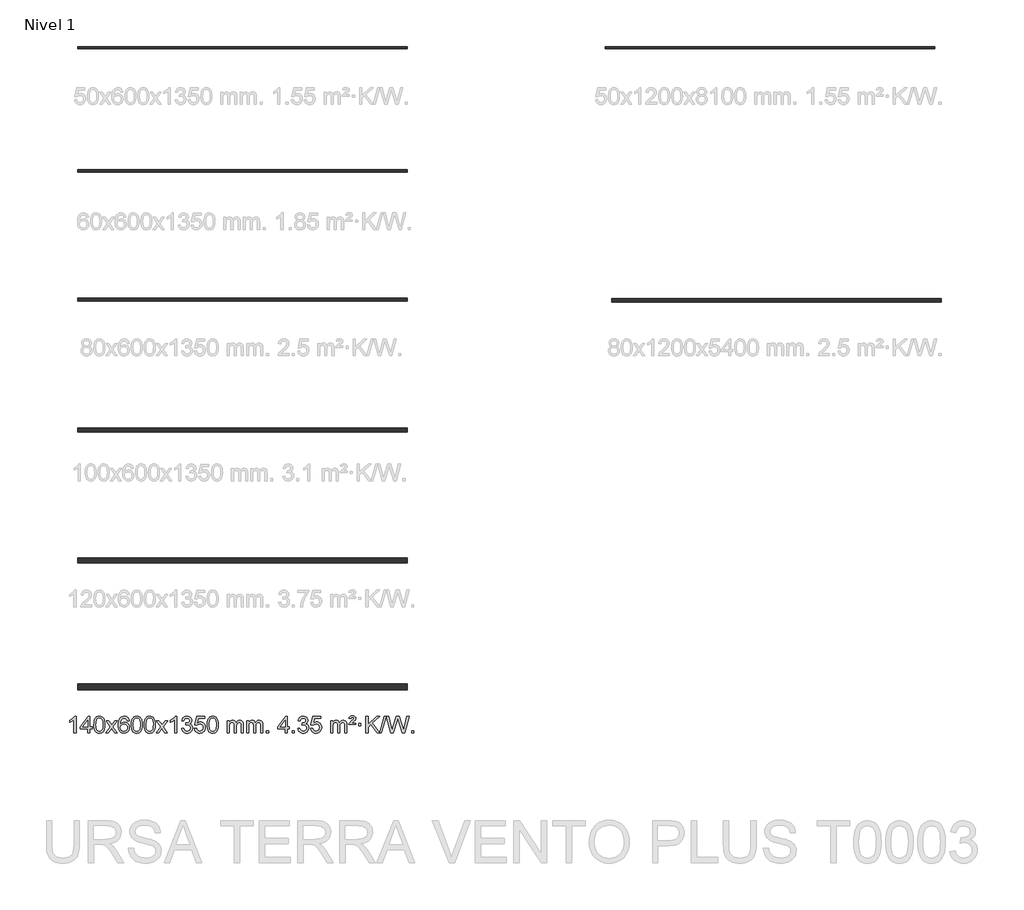
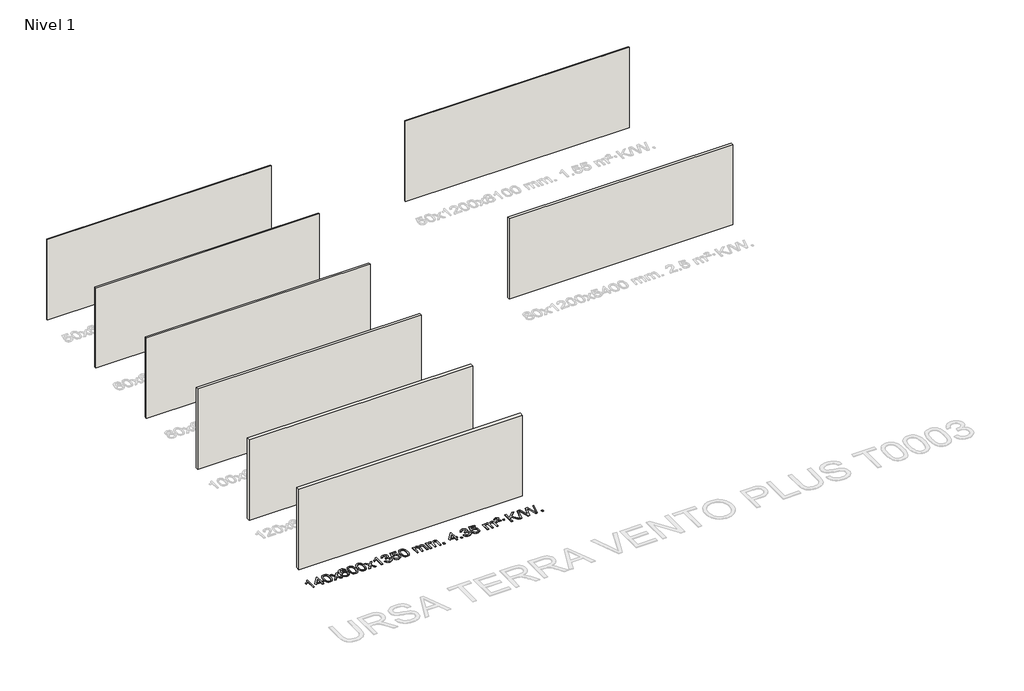
# One storey, part 1 of 9: 8 walls, 1 proxy.
"""IFC4 building model written with IfcOpenShell, lengths in millimetres."""

from ifc_helpers import new_model, si_unit, origin, origin_with_axes, place, context, project, spatial, polyline, outline, extrude, element, save

model = new_model("IFC4")

# Units and contexts
model_context = context("Model", 3, world=origin())
ifc_project = project(units=[si_unit("LENGTHUNIT", "METRE", prefix="MILLI")], contexts=[model_context])

# Site, building, storey
site = spatial("IfcSite", under=ifc_project)
building = spatial("IfcBuilding", under=site)
storey = spatial("IfcBuildingStorey", under=building, Name="Nivel 1", Elevation=0.0)

# Proxy
placement = place(None, origin())
element("IfcBuildingElementProxy", 1, Name="Texto de modelo 1", ObjectType="Texto de modelo 1", at=placement, inside=storey, context=model_context, shape_type="SweptSolid", body=[
    extrude(outline(polyline([(-13075.4615788, -12466.579453), (-13125.6897338, -12466.579453), (-13125.6897338, -12153.4382987), (-13146.6590076, -12170.3976587), (-13173.2691385, -12187.3324932), (-13226.146044, -12212.6918254), (-13226.146044, -12165.2105225), (-13186.6968314, -12143.7507395), (-13152.520594, -12118.219729), (-13125.5793692, -12091.0700378), (-13107.8351943, -12064.7542124), (-13075.4615788, -12064.7542124), (-13075.4615788, -12466.579453)])), origin_with_axes(), (0.0, 0.0, 1.0), 10.0),
    extrude(outline(polyline([(-12792.9282065, -12466.579453), (-12792.9282065, -12372.4016622), (-12975.0052686, -12372.4016622), (-12975.0052686, -12322.1735072), (-12780.3711677, -12071.0327318), (-12742.7000514, -12071.0327318), (-12742.7000514, -12322.1735072), (-12692.4718963, -12322.1735072), (-12692.4718963, -12372.4016622), (-12742.7000514, -12372.4016622), (-12742.7000514, -12466.579453), (-12792.9282065, -12466.579453)]), holes=[polyline([(-12792.9282065, -12322.1735072), (-12792.9282065, -12166.9763561), (-12913.2010934, -12322.1735072), (-12792.9282065, -12322.1735072)])]), origin_with_axes(), (0.0, 0.0, 1.0), 10.0),
    extrude(outline(polyline([(-12648.5222606, -12268.9041943), (-12644.8311779, -12204.5861588), (-12633.7579299, -12153.2911459), (-12615.4128811, -12114.2343407), (-12603.5548181, -12099.0009605), (-12589.9063961, -12086.6309284), (-12574.4216298, -12077.0598651), (-12557.0545339, -12070.2233914), (-12516.6733536, -12064.7542124), (-12485.722215, -12067.991574), (-12458.0084381, -12077.7036586), (-12434.8318724, -12093.5103217), (-12417.4923677, -12115.0314184), (-12404.3957686, -12142.0830078), (-12393.94792, -12174.4811488), (-12387.1053149, -12215.6226186), (-12384.8244465, -12268.9041943), (-12388.478741, -12332.8543477), (-12399.4416244, -12384.0267333), (-12417.6763087, -12423.1203266), (-12429.5067805, -12438.3996922), (-12443.1460055, -12450.8341036), (-12458.6491659, -12460.4695462), (-12476.071444, -12467.3520052), (-12516.6733536, -12472.8579724), (-12544.3380796, -12470.4667394), (-12568.8635459, -12463.2930405), (-12590.2497526, -12451.3368757), (-12608.4966996, -12434.5982449), (-12626.0078825, -12404.3399508), (-12638.5158704, -12366.6381776), (-12646.0206631, -12321.4929255), (-12648.5222606, -12268.9041943)]), holes=[polyline([(-12598.2941056, -12268.8060924), (-12596.8225776, -12312.4706195), (-12592.4079936, -12347.8148822), (-12585.0503537, -12374.8388804), (-12574.7496579, -12393.5426142), (-12562.290721, -12406.2682656), (-12548.4583579, -12415.3580165), (-12533.2525688, -12420.8118671), (-12516.6733536, -12422.6298173), (-12500.0941383, -12420.8057357), (-12484.8883492, -12415.3334911), (-12471.0559862, -12406.2130833), (-12458.5970493, -12393.4445124), (-12448.2963534, -12374.7101217), (-12440.9387135, -12347.6922549), (-12436.5241295, -12312.3909118), (-12435.0526016, -12268.8060924), (-12436.4750786, -12226.2973278), (-12440.7425098, -12191.5753989), (-12447.854895, -12164.6403055), (-12457.8122343, -12145.4920476), (-12470.0627048, -12132.1440625), (-12484.0544833, -12122.6097875), (-12499.78757, -12116.8892225), (-12517.2619648, -12114.9823675), (-12533.7553409, -12116.6623619), (-12548.7036126, -12121.7023452), (-12562.10678, -12130.1023175), (-12573.9648429, -12141.8622786), (-12584.6088953, -12162.708925), (-12592.2117899, -12190.8151094), (-12596.7735266, -12226.1808319), (-12598.2941056, -12268.8060924)])]), origin_with_axes(), (0.0, 0.0, 1.0), 10.0),
    extrude(outline(polyline([(-12359.7103689, -12466.579453), (-12252.3869282, -12318.2494325), (-12353.4318496, -12171.4890419), (-12293.0011005, -12171.4890419), (-12244.2444734, -12242.122385), (-12221.4848406, -12275.4770192), (-12201.7663657, -12248.2047007), (-12146.2407099, -12171.4890419), (-12085.8099608, -12171.4890419), (-12191.9561791, -12318.2494325), (-12089.7340354, -12466.579453), (-12150.1647845, -12466.579453), (-12211.6746541, -12377.4048574), (-12222.9563686, -12361.1199477), (-12299.2796199, -12466.579453), (-12359.7103689, -12466.579453)])), origin_with_axes(), (0.0, 0.0, 1.0), 10.0),
    extrude(outline(polyline([(-11800.9221437, -12171.4890419), (-11851.1502988, -12177.7675613), (-11859.2437027, -12152.874213), (-11870.1820607, -12135.8780648), (-11892.9662189, -12120.2062918), (-11920.5083176, -12114.9823675), (-11943.8565616, -12118.0235253), (-11965.8313794, -12127.1469988), (-11984.7037258, -12146.3627017), (-12000.1179814, -12172.8134171), (-12010.5290419, -12210.227016), (-12014.3918028, -12262.3313693), (-11994.2441322, -12238.8237098), (-11970.0988106, -12222.2567573), (-11943.3047386, -12212.434308), (-11915.2108169, -12209.1601582), (-11891.077758, -12211.398107), (-11868.8086346, -12218.1119534), (-11848.4034466, -12229.3016975), (-11829.862194, -12244.9673391), (-11814.4540698, -12264.1769106), (-11803.4482668, -12285.9984443), (-11796.844785, -12310.4319401), (-11794.6436244, -12337.4773982), (-11798.7884282, -12373.4439945), (-11811.2228396, -12406.786366), (-11830.9167891, -12435.0642287), (-11856.840207, -12455.8372987), (-11887.815871, -12468.602804), (-11922.6665587, -12472.8579724), (-11952.6090874, -12470.0375437), (-11979.6514797, -12461.5762579), (-12003.7937357, -12447.4741147), (-12025.0358552, -12427.7311143), (-12042.3539001, -12401.5133908), (-12054.7239322, -12367.9870783), (-12062.1459515, -12327.1521768), (-12064.6199579, -12279.0086864), (-12061.8731057, -12225.0342663), (-12053.632549, -12178.9693092), (-12039.8982878, -12140.8138149), (-12020.6703222, -12110.5677835), (-11999.8298072, -12090.5243462), (-11975.6660915, -12076.2076052), (-11948.179175, -12067.6175606), (-11917.3690579, -12064.7542124), (-11894.2354118, -12066.5261773), (-11873.2967949, -12071.8420722), (-11854.5532073, -12080.7018969), (-11838.0046489, -12093.1056515), (-11824.0987094, -12108.6364031), (-11813.2829788, -12126.8772186), (-11805.5574569, -12147.8280983), (-11800.9221437, -12171.4890419)]), holes=[polyline([(-12014.3918028, -12336.6925832), (-12011.485535, -12358.9494439), (-12002.7667318, -12380.2007605), (-11989.2286743, -12398.472233), (-11971.8646442, -12411.7895612), (-11950.9076332, -12419.9197533), (-11926.5906333, -12422.6298173), (-11893.4444655, -12417.0134855), (-11879.5293291, -12409.9930708), (-11867.3861575, -12400.1644901), (-11857.5361171, -12387.9262824), (-11850.500374, -12373.6769865), (-11844.8717794, -12339.1451299), (-11850.4267976, -12305.9989621), (-11857.3705702, -12292.3781312), (-11867.0918519, -12280.725469), (-11879.2718117, -12271.3904634), (-11893.5916183, -12264.7226022), (-11928.6507725, -12259.3883133), (-11961.7478893, -12264.7226022), (-11989.4248781, -12280.725469), (-12000.3479076, -12292.2248471), (-12008.1500716, -12305.3858254), (-12012.83137, -12320.2084042), (-12014.3918028, -12336.6925832)])]), origin_with_axes(), (0.0, 0.0, 1.0), 10.0),
    extrude(outline(polyline([(-11750.6939887, -12268.9041943), (-11747.002906, -12204.5861588), (-11735.9296579, -12153.2911459), (-11717.5846091, -12114.2343407), (-11705.7265461, -12099.0009605), (-11692.0781241, -12086.6309284), (-11676.5933578, -12077.0598651), (-11659.2262619, -12070.2233914), (-11618.8450816, -12064.7542124), (-11587.8939431, -12067.991574), (-11560.1801661, -12077.7036586), (-11537.0036004, -12093.5103217), (-11519.6640957, -12115.0314184), (-11506.5674967, -12142.0830078), (-11496.119648, -12174.4811488), (-11489.2770429, -12215.6226186), (-11486.9961745, -12268.9041943), (-11490.650469, -12332.8543477), (-11501.6133525, -12384.0267333), (-11519.8480367, -12423.1203266), (-11531.6785085, -12438.3996922), (-11545.3177335, -12450.8341036), (-11560.8208939, -12460.4695462), (-11578.2431721, -12467.3520052), (-11618.8450816, -12472.8579724), (-11646.5098076, -12470.4667394), (-11671.035274, -12463.2930405), (-11692.4214806, -12451.3368757), (-11710.6684276, -12434.5982449), (-11728.1796106, -12404.3399508), (-11740.6875984, -12366.6381776), (-11748.1923911, -12321.4929255), (-11750.6939887, -12268.9041943)]), holes=[polyline([(-11700.4658336, -12268.8060924), (-11698.9943056, -12312.4706195), (-11694.5797217, -12347.8148822), (-11687.2220818, -12374.8388804), (-11676.9213859, -12393.5426142), (-11664.462449, -12406.2682656), (-11650.630086, -12415.3580165), (-11635.4242968, -12420.8118671), (-11618.8450816, -12422.6298173), (-11602.2658663, -12420.8057357), (-11587.0600772, -12415.3334911), (-11573.2277142, -12406.2130833), (-11560.7687773, -12393.4445124), (-11550.4680814, -12374.7101217), (-11543.1104415, -12347.6922549), (-11538.6958576, -12312.3909118), (-11537.2243296, -12268.8060924), (-11538.6468066, -12226.2973278), (-11542.9142378, -12191.5753989), (-11550.026623, -12164.6403055), (-11559.9839624, -12145.4920476), (-11572.2344328, -12132.1440625), (-11586.2262114, -12122.6097875), (-11601.959298, -12116.8892225), (-11619.4336928, -12114.9823675), (-11635.9270689, -12116.6623619), (-11650.8753406, -12121.7023452), (-11664.278508, -12130.1023175), (-11676.136571, -12141.8622786), (-11686.7806234, -12162.708925), (-11694.3835179, -12190.8151094), (-11698.9452547, -12226.1808319), (-11700.4658336, -12268.8060924)])]), origin_with_axes(), (0.0, 0.0, 1.0), 10.0),
    extrude(outline(polyline([(-11443.0465388, -12268.9041943), (-11439.3554561, -12204.5861588), (-11428.2822081, -12153.2911459), (-11409.9371593, -12114.2343407), (-11398.0790963, -12099.0009605), (-11384.4306743, -12086.6309284), (-11368.945908, -12077.0598651), (-11351.5788121, -12070.2233914), (-11311.1976318, -12064.7542124), (-11280.2464932, -12067.991574), (-11252.5327163, -12077.7036586), (-11229.3561506, -12093.5103217), (-11212.0166459, -12115.0314184), (-11198.9200468, -12142.0830078), (-11188.4721982, -12174.4811488), (-11181.6295931, -12215.6226186), (-11179.3487247, -12268.9041943), (-11183.0030192, -12332.8543477), (-11193.9659026, -12384.0267333), (-11212.2005869, -12423.1203266), (-11224.0310587, -12438.3996922), (-11237.6702837, -12450.8341036), (-11253.1734441, -12460.4695462), (-11270.5957222, -12467.3520052), (-11311.1976318, -12472.8579724), (-11338.8623578, -12470.4667394), (-11363.3878241, -12463.2930405), (-11384.7740308, -12451.3368757), (-11403.0209778, -12434.5982449), (-11420.5321607, -12404.3399508), (-11433.0401486, -12366.6381776), (-11440.5449413, -12321.4929255), (-11443.0465388, -12268.9041943)]), holes=[polyline([(-11392.8183838, -12268.8060924), (-11391.3468558, -12312.4706195), (-11386.9322718, -12347.8148822), (-11379.5746319, -12374.8388804), (-11369.2739361, -12393.5426142), (-11356.8149992, -12406.2682656), (-11342.9826361, -12415.3580165), (-11327.776847, -12420.8118671), (-11311.1976318, -12422.6298173), (-11294.6184165, -12420.8057357), (-11279.4126274, -12415.3334911), (-11265.5802644, -12406.2130833), (-11253.1213275, -12393.4445124), (-11242.8206316, -12374.7101217), (-11235.4629917, -12347.6922549), (-11231.0484077, -12312.3909118), (-11229.5768798, -12268.8060924), (-11230.9993568, -12226.2973278), (-11235.266788, -12191.5753989), (-11242.3791732, -12164.6403055), (-11252.3365125, -12145.4920476), (-11264.586983, -12132.1440625), (-11278.5787615, -12122.6097875), (-11294.3118482, -12116.8892225), (-11311.786243, -12114.9823675), (-11328.2796191, -12116.6623619), (-11343.2278908, -12121.7023452), (-11356.6310582, -12130.1023175), (-11368.4891211, -12141.8622786), (-11379.1331735, -12162.708925), (-11386.7360681, -12190.8151094), (-11391.2978048, -12226.1808319), (-11392.8183838, -12268.8060924)])]), origin_with_axes(), (0.0, 0.0, 1.0), 10.0),
    extrude(outline(polyline([(-11154.2346472, -12466.579453), (-11046.9112064, -12318.2494325), (-11147.9561278, -12171.4890419), (-11087.5253787, -12171.4890419), (-11038.7687516, -12242.122385), (-11016.0091188, -12275.4770192), (-10996.2906439, -12248.2047007), (-10940.7649881, -12171.4890419), (-10880.334239, -12171.4890419), (-10986.4804574, -12318.2494325), (-10884.2583136, -12466.579453), (-10944.6890627, -12466.579453), (-11006.1989323, -12377.4048574), (-11017.4806468, -12361.1199477), (-11093.8038981, -12466.579453), (-11154.2346472, -12466.579453)])), origin_with_axes(), (0.0, 0.0, 1.0), 10.0),
    extrude(outline(polyline([(-10664.5101352, -12466.579453), (-10714.7382902, -12466.579453), (-10714.7382902, -12153.4382987), (-10735.707564, -12170.3976587), (-10762.317695, -12187.3324932), (-10815.1946004, -12212.6918254), (-10815.1946004, -12165.2105225), (-10775.7453878, -12143.7507395), (-10741.5691504, -12118.219729), (-10714.6279257, -12091.0700378), (-10696.8837508, -12064.7542124), (-10664.5101352, -12064.7542124), (-10664.5101352, -12466.579453)])), origin_with_axes(), (0.0, 0.0, 1.0), 10.0),
    extrude(outline(polyline([(-10545.2182669, -12359.8446235), (-10494.9901118, -12353.5661041), (-10483.7451855, -12385.1303793), (-10467.2763348, -12406.4430095), (-10444.7742195, -12418.5831154), (-10415.429499, -12422.6298173), (-10380.9957442, -12417.0625364), (-10366.7219228, -12410.1034354), (-10354.4101387, -12400.3606939), (-10337.4139905, -12375.4428201), (-10331.7486078, -12345.2274455), (-10337.3649396, -12316.5449126), (-10354.213935, -12293.2825078), (-10379.72042, -12277.8682522), (-10411.3092206, -12272.730167), (-10446.5277903, -12278.2238715), (-10440.935984, -12227.9957164), (-10432.891631, -12228.5843276), (-10402.7988838, -12224.979084), (-10375.8944472, -12214.1633534), (-10364.8211992, -12205.9841103), (-10356.9117363, -12195.8673555), (-10352.1660585, -12183.8130888), (-10350.584166, -12169.8213102), (-10355.1704282, -12148.1285352), (-10368.9292148, -12130.5315131), (-10389.923014, -12118.8696539), (-10416.2143139, -12114.9823675), (-10442.5546648, -12118.9064421), (-10464.0880242, -12130.6786659), (-10479.8088481, -12150.299039), (-10488.7115924, -12177.7675613), (-10538.9397475, -12171.4890419), (-10532.9861905, -12147.5092672), (-10524.1508913, -12126.3867093), (-10512.4338497, -12108.1213683), (-10497.8350659, -12092.713244), (-10480.8143922, -12080.4811677), (-10461.8316813, -12071.7439703), (-10440.886933, -12066.5016519), (-10417.9801475, -12064.7542124), (-10386.4036096, -12068.2000404), (-10357.4022456, -12078.5375245), (-10332.9503557, -12094.8469596), (-10315.0222398, -12116.2086408), (-10304.0225681, -12140.8199463), (-10300.3560109, -12166.8782543), (-10303.8386271, -12191.1584659), (-10314.2864758, -12213.1823347), (-10331.5524041, -12231.9443165), (-10355.4892592, -12246.4388671), (-10324.0476114, -12259.1430586), (-10300.7484183, -12280.77452), (-10286.3274441, -12310.1560286), (-10281.5204527, -12346.1103623), (-10283.9239484, -12371.5923218), (-10291.1344355, -12395.0631931), (-10303.151914, -12416.5229762), (-10319.976384, -12435.971671), (-10340.4735425, -12452.1094278), (-10363.5090867, -12463.636397), (-10389.0830168, -12470.5525785), (-10417.1953326, -12472.8579724), (-10442.6037157, -12470.8898037), (-10465.7557559, -12464.9852977), (-10486.6514532, -12455.1444543), (-10505.2908077, -12441.3672736), (-10520.9196611, -12424.4630959), (-10532.7838554, -12405.2412617), (-10540.8833907, -12383.7017708), (-10545.2182669, -12359.8446235)])), origin_with_axes(), (0.0, 0.0, 1.0), 10.0),
    extrude(outline(polyline([(-10237.570817, -12359.8446235), (-10187.342662, -12353.5661041), (-10178.1210866, -12383.7201649), (-10162.0323807, -12405.3148381), (-10139.1501206, -12418.3010725), (-10109.5478827, -12422.6298173), (-10090.418019, -12421.1245668), (-10073.5444981, -12416.6088153), (-10058.9273202, -12409.0825628), (-10046.5664851, -12398.5458094), (-10036.7379045, -12385.519721), (-10029.7174898, -12370.5254641), (-10024.101158, -12334.6324441), (-10029.3618705, -12300.8363514), (-10035.9377612, -12286.9181493), (-10045.1440081, -12274.9865099), (-10057.0112681, -12265.4154467), (-10071.5701981, -12258.5789729), (-10108.7630678, -12253.1097939), (-10133.1291186, -12255.2925604), (-10152.8598563, -12261.8408599), (-10168.6174684, -12271.8717757), (-10181.0641426, -12284.5023908), (-10231.2922977, -12278.2238715), (-10187.342662, -12071.0327318), (-9992.708561, -12071.0327318), (-9992.708561, -12121.2608869), (-10146.7284897, -12121.2608869), (-10168.2127982, -12231.919791), (-10150.4870174, -12219.2155994), (-10132.332041, -12210.1411769), (-10113.7478688, -12204.6965234), (-10094.734501, -12202.8816388), (-10070.273414, -12205.1318504), (-10047.8050212, -12211.882485), (-10027.3293225, -12223.1335427), (-10008.8463179, -12238.8850234), (-9993.5454926, -12258.1743027), (-9982.6163316, -12280.038756), (-9976.0588351, -12304.4783832), (-9973.8730029, -12331.4931844), (-9975.8411716, -12357.5147042), (-9981.7456776, -12381.7213394), (-9991.586521, -12404.1130902), (-10005.3637017, -12424.6899565), (-10026.2348735, -12445.7634634), (-10050.5886616, -12460.8159684), (-10078.4250659, -12469.8474714), (-10109.7440864, -12472.8579724), (-10135.6644387, -12470.9235262), (-10159.077062, -12465.1201877), (-10179.9819564, -12455.447957), (-10198.3791218, -12441.9068338), (-10213.6860785, -12425.1712688), (-10225.3203466, -12405.915712), (-10233.2819261, -12384.1401636), (-10237.570817, -12359.8446235)])), origin_with_axes(), (0.0, 0.0, 1.0), 10.0),
    extrude(outline(polyline([(-9929.9233672, -12268.9041943), (-9926.2322845, -12204.5861588), (-9915.1590365, -12153.2911459), (-9896.8139876, -12114.2343407), (-9884.9559247, -12099.0009605), (-9871.3075026, -12086.6309284), (-9855.8227363, -12077.0598651), (-9838.4556405, -12070.2233914), (-9798.0744601, -12064.7542124), (-9767.1233216, -12067.991574), (-9739.4095446, -12077.7036586), (-9716.2329789, -12093.5103217), (-9698.8934742, -12115.0314184), (-9685.7968752, -12142.0830078), (-9675.3490265, -12174.4811488), (-9668.5064214, -12215.6226186), (-9666.2255531, -12268.9041943), (-9669.8798475, -12332.8543477), (-9680.842731, -12384.0267333), (-9699.0774152, -12423.1203266), (-9710.9078871, -12438.3996922), (-9724.547112, -12450.8341036), (-9740.0502724, -12460.4695462), (-9757.4725506, -12467.3520052), (-9798.0744601, -12472.8579724), (-9825.7391862, -12470.4667394), (-9850.2646525, -12463.2930405), (-9871.6508592, -12451.3368757), (-9889.8978061, -12434.5982449), (-9907.4089891, -12404.3399508), (-9919.9169769, -12366.6381776), (-9927.4217696, -12321.4929255), (-9929.9233672, -12268.9041943)]), holes=[polyline([(-9879.6952121, -12268.8060924), (-9878.2236842, -12312.4706195), (-9873.8091002, -12347.8148822), (-9866.4514603, -12374.8388804), (-9856.1507644, -12393.5426142), (-9843.6918275, -12406.2682656), (-9829.8594645, -12415.3580165), (-9814.6536754, -12420.8118671), (-9798.0744601, -12422.6298173), (-9781.4952449, -12420.8057357), (-9766.2894558, -12415.3334911), (-9752.4570927, -12406.2130833), (-9739.9981558, -12393.4445124), (-9729.69746, -12374.7101217), (-9722.3398201, -12347.6922549), (-9717.9252361, -12312.3909118), (-9716.4537081, -12268.8060924), (-9717.8761852, -12226.2973278), (-9722.1436163, -12191.5753989), (-9729.2560016, -12164.6403055), (-9739.2133409, -12145.4920476), (-9751.4638113, -12132.1440625), (-9765.4555899, -12122.6097875), (-9781.1886766, -12116.8892225), (-9798.6630713, -12114.9823675), (-9815.1564474, -12116.6623619), (-9830.1047192, -12121.7023452), (-9843.5078865, -12130.1023175), (-9855.3659495, -12141.8622786), (-9866.0100019, -12162.708925), (-9873.6128965, -12190.8151094), (-9878.1746332, -12226.1808319), (-9879.6952121, -12268.8060924)])]), origin_with_axes(), (0.0, 0.0, 1.0), 10.0),
    extrude(outline(polyline([(-9452.755894, -12466.579453), (-9452.755894, -12171.4890419), (-9402.5277389, -12171.4890419), (-9402.5277389, -12220.0494653), (-9387.4200517, -12197.7435537), (-9367.9958823, -12180.2691589), (-9344.9174185, -12168.9751816), (-9318.8468478, -12165.2105225), (-9290.9123416, -12169.048758), (-9268.5205908, -12180.5634645), (-9251.7942228, -12198.9943524), (-9240.8558648, -12223.5811324), (-9222.5476041, -12198.0439906), (-9201.6641696, -12179.803175), (-9178.205561, -12168.8586857), (-9152.1717785, -12165.2105225), (-9132.0639617, -12166.7280358), (-9114.414823, -12171.2805755), (-9099.2243623, -12178.8681416), (-9086.4925796, -12189.4907342), (-9076.4279413, -12203.2709806), (-9069.238914, -12220.3315082), (-9064.9254976, -12240.6723168), (-9063.4876922, -12264.2934066), (-9063.4876922, -12466.579453), (-9113.7158472, -12466.579453), (-9113.7158472, -12285.875817), (-9114.8808069, -12260.8230531), (-9118.3756858, -12243.9372695), (-9124.9239854, -12232.3735121), (-9135.2492067, -12223.2868268), (-9148.5297467, -12217.4007149), (-9163.9440023, -12215.4386776), (-9191.1550072, -12220.4663982), (-9213.3382915, -12235.54956), (-9221.9436645, -12247.1194488), (-9228.0903595, -12261.7182326), (-9233.0077155, -12300.0024856), (-9233.0077155, -12466.579453), (-9283.2358706, -12466.579453), (-9283.2358706, -12280.2840106), (-9286.1421384, -12251.8835206), (-9294.8609417, -12231.6254854), (-9310.2016209, -12219.4853796), (-9332.9735164, -12215.4386776), (-9352.3241093, -12218.1364789), (-9370.1541233, -12226.2298828), (-9384.8694032, -12239.5226856), (-9394.8757934, -12257.8186835), (-9400.6147525, -12283.2025411), (-9402.5277389, -12317.7589232), (-9402.5277389, -12466.579453), (-9452.755894, -12466.579453)])), origin_with_axes(), (0.0, 0.0, 1.0), 10.0),
    extrude(outline(polyline([(-8988.1454596, -12466.579453), (-8988.1454596, -12171.4890419), (-8937.9173045, -12171.4890419), (-8937.9173045, -12220.0494653), (-8922.8096172, -12197.7435537), (-8903.3854479, -12180.2691589), (-8880.306984, -12168.9751816), (-8854.2364133, -12165.2105225), (-8826.3019071, -12169.048758), (-8803.9101564, -12180.5634645), (-8787.1837883, -12198.9943524), (-8776.2454303, -12223.5811324), (-8757.9371697, -12198.0439906), (-8737.0537351, -12179.803175), (-8713.5951266, -12168.8586857), (-8687.561344, -12165.2105225), (-8667.4535273, -12166.7280358), (-8649.8043886, -12171.2805755), (-8634.6139279, -12178.8681416), (-8621.8821452, -12189.4907342), (-8611.8175069, -12203.2709806), (-8604.6284796, -12220.3315082), (-8600.3150632, -12240.6723168), (-8598.8772577, -12264.2934066), (-8598.8772577, -12466.579453), (-8649.1054128, -12466.579453), (-8649.1054128, -12285.875817), (-8650.2703724, -12260.8230531), (-8653.7652514, -12243.9372695), (-8660.3135509, -12232.3735121), (-8670.6387722, -12223.2868268), (-8683.9193123, -12217.4007149), (-8699.3335679, -12215.4386776), (-8726.5445728, -12220.4663982), (-8748.7278571, -12235.54956), (-8757.3332301, -12247.1194488), (-8763.4799251, -12261.7182326), (-8768.3972811, -12300.0024856), (-8768.3972811, -12466.579453), (-8818.6254362, -12466.579453), (-8818.6254362, -12280.2840106), (-8821.5317039, -12251.8835206), (-8830.2505072, -12231.6254854), (-8845.5911864, -12219.4853796), (-8868.3630819, -12215.4386776), (-8887.7136749, -12218.1364789), (-8905.5436889, -12226.2298828), (-8920.2589687, -12239.5226856), (-8930.265359, -12257.8186835), (-8936.0043181, -12283.2025411), (-8937.9173045, -12317.7589232), (-8937.9173045, -12466.579453), (-8988.1454596, -12466.579453)])), origin_with_axes(), (0.0, 0.0, 1.0), 10.0),
    extrude(outline(polyline([(-8510.9779863, -12466.579453), (-8510.9779863, -12416.3512979), (-8460.7498313, -12416.3512979), (-8460.7498313, -12466.579453), (-8510.9779863, -12466.579453)])), origin_with_axes(), (0.0, 0.0, 1.0), 10.0),
    extrude(outline(polyline([(-8058.9245907, -12466.579453), (-8058.9245907, -12372.4016622), (-8241.0016528, -12372.4016622), (-8241.0016528, -12322.1735072), (-8046.3675519, -12071.0327318), (-8008.6964356, -12071.0327318), (-8008.6964356, -12322.1735072), (-7958.4682805, -12322.1735072), (-7958.4682805, -12372.4016622), (-8008.6964356, -12372.4016622), (-8008.6964356, -12466.579453), (-8058.9245907, -12466.579453)]), holes=[polyline([(-8058.9245907, -12322.1735072), (-8058.9245907, -12166.9763561), (-8179.1974776, -12322.1735072), (-8058.9245907, -12322.1735072)])]), origin_with_axes(), (0.0, 0.0, 1.0), 10.0),
    extrude(outline(polyline([(-7889.4045673, -12466.579453), (-7889.4045673, -12416.3512979), (-7839.1764122, -12416.3512979), (-7839.1764122, -12466.579453), (-7889.4045673, -12466.579453)])), origin_with_axes(), (0.0, 0.0, 1.0), 10.0),
    extrude(outline(polyline([(-7757.5556602, -12359.8446235), (-7707.3275051, -12353.5661041), (-7696.0825788, -12385.1303793), (-7679.6137282, -12406.4430095), (-7657.1116128, -12418.5831154), (-7627.7668923, -12422.6298173), (-7593.3331376, -12417.0625364), (-7579.0593162, -12410.1034354), (-7566.7475321, -12400.3606939), (-7549.7513839, -12375.4428201), (-7544.0860012, -12345.2274455), (-7549.7023329, -12316.5449126), (-7566.5513283, -12293.2825078), (-7592.0578133, -12277.8682522), (-7623.646614, -12272.730167), (-7658.8651836, -12278.2238715), (-7653.2733773, -12227.9957164), (-7645.2290244, -12228.5843276), (-7615.1362772, -12224.979084), (-7588.2318406, -12214.1633534), (-7577.1585925, -12205.9841103), (-7569.2491296, -12195.8673555), (-7564.5034519, -12183.8130888), (-7562.9215593, -12169.8213102), (-7567.5078215, -12148.1285352), (-7581.2666081, -12130.5315131), (-7602.2604073, -12118.8696539), (-7628.5517072, -12114.9823675), (-7654.8920581, -12118.9064421), (-7676.4254176, -12130.6786659), (-7692.1462415, -12150.299039), (-7701.0489858, -12177.7675613), (-7751.2771408, -12171.4890419), (-7745.3235839, -12147.5092672), (-7736.4882846, -12126.3867093), (-7724.7712431, -12108.1213683), (-7710.1724592, -12092.713244), (-7693.1517856, -12080.4811677), (-7674.1690746, -12071.7439703), (-7653.2243264, -12066.5016519), (-7630.3175408, -12064.7542124), (-7598.7410029, -12068.2000404), (-7569.7396389, -12078.5375245), (-7545.287749, -12094.8469596), (-7527.3596331, -12116.2086408), (-7516.3599614, -12140.8199463), (-7512.6934042, -12166.8782543), (-7516.1760205, -12191.1584659), (-7526.6238691, -12213.1823347), (-7543.8897974, -12231.9443165), (-7567.8266526, -12246.4388671), (-7536.3850047, -12259.1430586), (-7513.0858117, -12280.77452), (-7498.6648375, -12310.1560286), (-7493.8578461, -12346.1103623), (-7496.2613418, -12371.5923218), (-7503.4718289, -12395.0631931), (-7515.4893074, -12416.5229762), (-7532.3137773, -12435.971671), (-7552.8109358, -12452.1094278), (-7575.8464801, -12463.636397), (-7601.4204101, -12470.5525785), (-7629.5327259, -12472.8579724), (-7654.941109, -12470.8898037), (-7678.0931493, -12464.9852977), (-7698.9888466, -12455.1444543), (-7717.628201, -12441.3672736), (-7733.2570544, -12424.4630959), (-7745.1212488, -12405.2412617), (-7753.220784, -12383.7017708), (-7757.5556602, -12359.8446235)])), origin_with_axes(), (0.0, 0.0, 1.0), 10.0),
    extrude(outline(polyline([(-7449.9082104, -12359.8446235), (-7399.6800553, -12353.5661041), (-7390.45848, -12383.7201649), (-7374.369774, -12405.3148381), (-7351.4875139, -12418.3010725), (-7321.8852761, -12422.6298173), (-7302.7554123, -12421.1245668), (-7285.8818915, -12416.6088153), (-7271.2647135, -12409.0825628), (-7258.9038785, -12398.5458094), (-7249.0752979, -12385.519721), (-7242.0548831, -12370.5254641), (-7236.4385513, -12334.6324441), (-7241.6992639, -12300.8363514), (-7248.2751545, -12286.9181493), (-7257.4814014, -12274.9865099), (-7269.3486615, -12265.4154467), (-7283.9075914, -12258.5789729), (-7321.1004611, -12253.1097939), (-7345.466512, -12255.2925604), (-7365.1972496, -12261.8408599), (-7380.9548618, -12271.8717757), (-7393.4015359, -12284.5023908), (-7443.629691, -12278.2238715), (-7399.6800553, -12071.0327318), (-7205.0459544, -12071.0327318), (-7205.0459544, -12121.2608869), (-7359.065883, -12121.2608869), (-7380.5501916, -12231.919791), (-7362.8244108, -12219.2155994), (-7344.6694343, -12210.1411769), (-7326.0852622, -12204.6965234), (-7307.0718944, -12202.8816388), (-7282.6108074, -12205.1318504), (-7260.1424145, -12211.882485), (-7239.6667158, -12223.1335427), (-7221.1837113, -12238.8850234), (-7205.8828859, -12258.1743027), (-7194.953725, -12280.038756), (-7188.3962284, -12304.4783832), (-7186.2103962, -12331.4931844), (-7188.1785649, -12357.5147042), (-7194.0830709, -12381.7213394), (-7203.9239143, -12404.1130902), (-7217.701095, -12424.6899565), (-7238.5722669, -12445.7634634), (-7262.926055, -12460.8159684), (-7290.7624593, -12469.8474714), (-7322.0814798, -12472.8579724), (-7348.001832, -12470.9235262), (-7371.4144553, -12465.1201877), (-7392.3193497, -12455.447957), (-7410.7165152, -12441.9068338), (-7426.0234719, -12425.1712688), (-7437.6577399, -12405.915712), (-7445.6193195, -12384.1401636), (-7449.9082104, -12359.8446235)])), origin_with_axes(), (0.0, 0.0, 1.0), 10.0),
    extrude(outline(polyline([(-6972.7407372, -12466.579453), (-6972.7407372, -12171.4890419), (-6922.5125821, -12171.4890419), (-6922.5125821, -12220.0494653), (-6907.4048948, -12197.7435537), (-6887.9807255, -12180.2691589), (-6864.9022617, -12168.9751816), (-6838.8316909, -12165.2105225), (-6810.8971848, -12169.048758), (-6788.505434, -12180.5634645), (-6771.7790659, -12198.9943524), (-6760.840708, -12223.5811324), (-6742.5324473, -12198.0439906), (-6721.6490127, -12179.803175), (-6698.1904042, -12168.8586857), (-6672.1566217, -12165.2105225), (-6652.0488049, -12166.7280358), (-6634.3996662, -12171.2805755), (-6619.2092055, -12178.8681416), (-6606.4774228, -12189.4907342), (-6596.4127845, -12203.2709806), (-6589.2237572, -12220.3315082), (-6584.9103408, -12240.6723168), (-6583.4725353, -12264.2934066), (-6583.4725353, -12466.579453), (-6633.7006904, -12466.579453), (-6633.7006904, -12285.875817), (-6634.8656501, -12260.8230531), (-6638.360529, -12243.9372695), (-6644.9088285, -12232.3735121), (-6655.2340499, -12223.2868268), (-6668.5145899, -12217.4007149), (-6683.9288455, -12215.4386776), (-6711.1398504, -12220.4663982), (-6733.3231347, -12235.54956), (-6741.9285077, -12247.1194488), (-6748.0752027, -12261.7182326), (-6752.9925587, -12300.0024856), (-6752.9925587, -12466.579453), (-6803.2207138, -12466.579453), (-6803.2207138, -12280.2840106), (-6806.1269816, -12251.8835206), (-6814.8457848, -12231.6254854), (-6830.186464, -12219.4853796), (-6852.9583595, -12215.4386776), (-6872.3089525, -12218.1364789), (-6890.1389665, -12226.2298828), (-6904.8542463, -12239.5226856), (-6914.8606366, -12257.8186835), (-6920.5995957, -12283.2025411), (-6922.5125821, -12317.7589232), (-6922.5125821, -12466.579453), (-6972.7407372, -12466.579453)])), origin_with_axes(), (0.0, 0.0, 1.0), 10.0),
    extrude(outline(polyline([(-6539.5228997, -12265.6668327), (-6535.6969269, -12249.8479069), (-6527.3582683, -12233.9799302), (-6505.8494344, -12208.8413272), (-6473.8927517, -12181.1030247), (-6429.7469123, -12143.726214), (-6422.6100016, -12132.1992448), (-6420.2310314, -12120.3779701), (-6422.1194923, -12108.2869152), (-6427.784875, -12098.5012541), (-6437.1536031, -12092.026531), (-6450.1521003, -12089.8682899), (-6462.5865117, -12091.4869707), (-6471.4402051, -12096.343013), (-6477.8658773, -12105.8098431), (-6483.0162252, -12121.2608869), (-6533.2443803, -12114.9823675), (-6522.4041241, -12089.7701881), (-6505.775858, -12072.2099542), (-6482.0106811, -12061.9092583), (-6449.7596928, -12058.475693), (-6413.9770374, -12062.6082341), (-6389.2308419, -12075.0058573), (-6374.8098677, -12093.3386434), (-6370.0028763, -12115.2766731), (-6374.0986292, -12138.1834586), (-6386.3858878, -12159.8149199), (-6406.9137031, -12179.6314968), (-6443.3830716, -12207.6886303), (-6468.9876584, -12234.2742358), (-6370.0028763, -12234.2742358), (-6370.0028763, -12265.6668327), (-6539.5228997, -12265.6668327)])), origin_with_axes(), (0.0, 0.0, 1.0), 10.0),
    extrude(outline(polyline([(-6294.6606437, -12290.7809102), (-6294.6606437, -12240.5527552), (-6244.4324886, -12240.5527552), (-6244.4324886, -12290.7809102), (-6294.6606437, -12290.7809102)])), origin_with_axes(), (0.0, 0.0, 1.0), 10.0),
    extrude(outline(polyline([(-5853.7908606, -12466.579453), (-6007.2221781, -12263.9009991), (-6074.9124652, -12328.4520265), (-6074.9124652, -12466.579453), (-6125.1406203, -12466.579453), (-6125.1406203, -12064.7542124), (-6074.9124652, -12064.7542124), (-6074.9124652, -12261.4484525), (-5868.8985479, -12064.7542124), (-5798.6576123, -12064.7542124), (-5971.611201, -12229.9577537), (-5796.9575911, -12460.5349332), (-5685.6442634, -12064.7542124), (-5640.3212016, -12064.7542124), (-5753.3345505, -12466.579453), (-5792.3790929, -12466.579453), (-5798.6576123, -12466.579453), (-5853.7908606, -12466.579453)])), origin_with_axes(), (0.0, 0.0, 1.0), 10.0),
    extrude(outline(polyline([(-5525.8363247, -12466.579453), (-5635.4161083, -12064.7542124), (-5583.6183234, -12064.7542124), (-5520.0483146, -12328.844434), (-5500.4279415, -12410.3670841), (-5479.4341424, -12338.2622131), (-5399.7754277, -12064.7542124), (-5325.1199081, -12064.7542124), (-5267.2398075, -12263.0180823), (-5242.4445611, -12336.5944814), (-5224.1730886, -12410.3670841), (-5205.1413268, -12331.1988788), (-5140.9827068, -12064.7542124), (-5089.1849219, -12064.7542124), (-5198.8628074, -12466.579453), (-5252.5245277, -12466.579453), (-5348.8605595, -12156.5775584), (-5362.3005151, -12113.3146358), (-5377.4082024, -12165.4067263), (-5465.2093719, -12466.579453), (-5525.8363247, -12466.579453)])), origin_with_axes(), (0.0, 0.0, 1.0), 10.0),
    extrude(outline(polyline([(-5032.6782474, -12466.579453), (-5032.6782474, -12416.3512979), (-4982.4500923, -12416.3512979), (-4982.4500923, -12466.579453), (-5032.6782474, -12466.579453)])), origin_with_axes(), (0.0, 0.0, 1.0), 10.0),
])

# Walls
element("IfcWall", 2, at=placement, inside=storey, context=model_context, shape_type="SweptSolid", body=[
    extrude(outline(polyline([(7668.7582768, -2129.6168569), (-231.2417232, -2129.6168569), (-231.2417232, -2049.6168569), (7668.7582768, -2049.6168569), (7668.7582768, -2129.6168569)])), origin_with_axes(), (0.0, 0.0, 1.0), 3000.0),
])
element("IfcWall", 3, at=placement, inside=storey, context=model_context, shape_type="SweptSolid", body=[
    extrude(outline(polyline([(-5131.2417232, -2109.6168569), (-13031.2417232, -2109.6168569), (-13031.2417232, -2029.6168569), (-5131.2417232, -2029.6168569), (-5131.2417232, -2109.6168569)])), origin_with_axes(), (0.0, 0.0, 1.0), 3000.0),
])
element("IfcWall", 4, at=placement, inside=storey, context=model_context, shape_type="SweptSolid", body=[
    extrude(outline(polyline([(-5131.2417232, 3950.3831431), (-13031.2417232, 3950.3831431), (-13031.2417232, 4000.3831431), (-5131.2417232, 4000.3831431), (-5131.2417232, 3950.3831431)])), origin_with_axes(), (0.0, 0.0, 1.0), 3000.0),
])
element("IfcWall", 5, at=placement, inside=storey, context=model_context, shape_type="SweptSolid", body=[
    extrude(outline(polyline([(-5131.2417232, 990.3831431), (-13031.2417232, 990.3831431), (-13031.2417232, 1050.3831431), (-5131.2417232, 1050.3831431), (-5131.2417232, 990.3831431)])), origin_with_axes(), (0.0, 0.0, 1.0), 3000.0),
])
element("IfcWall", 6, at=placement, inside=storey, context=model_context, shape_type="SweptSolid", body=[
    extrude(outline(polyline([(-5131.2417232, -5249.6168569), (-13031.2417232, -5249.6168569), (-13031.2417232, -5149.6168569), (-5131.2417232, -5149.6168569), (-5131.2417232, -5249.6168569)])), origin_with_axes(), (0.0, 0.0, 1.0), 3000.0),
])
element("IfcWall", 7, at=placement, inside=storey, context=model_context, shape_type="SweptSolid", body=[
    extrude(outline(polyline([(-5131.2417232, -8389.6168569), (-13031.2417232, -8389.6168569), (-13031.2417232, -8269.6168569), (-5131.2417232, -8269.6168569), (-5131.2417232, -8389.6168569)])), origin_with_axes(), (0.0, 0.0, 1.0), 3000.0),
])
element("IfcWall", 8, at=placement, inside=storey, context=model_context, shape_type="SweptSolid", body=[
    extrude(outline(polyline([(-5131.2417232, -11434.6168569), (-13031.2417232, -11434.6168569), (-13031.2417232, -11294.6168569), (-5131.2417232, -11294.6168569), (-5131.2417232, -11434.6168569)])), origin_with_axes(), (0.0, 0.0, 1.0), 3000.0),
])
element("IfcWall", 9, at=placement, inside=storey, context=model_context, shape_type="SweptSolid", body=[
    extrude(outline(polyline([(7514.9345518, 3950.3831431), (-385.0654482, 3950.3831431), (-385.0654482, 4000.3831431), (7514.9345518, 4000.3831431), (7514.9345518, 3950.3831431)])), origin_with_axes(), (0.0, 0.0, 1.0), 3000.0),
])

save(model, "model.ifc")
